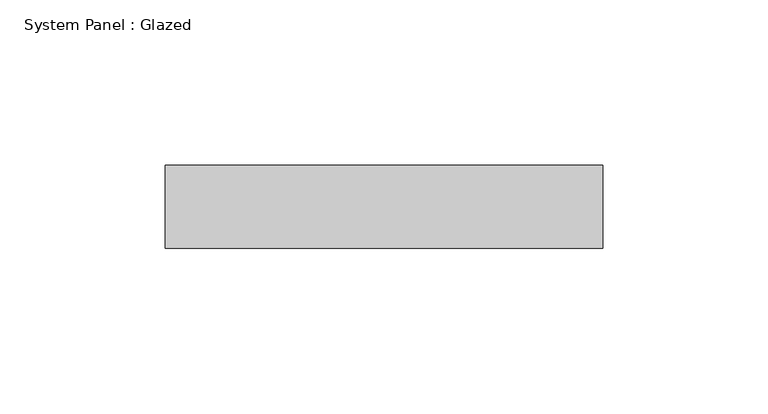
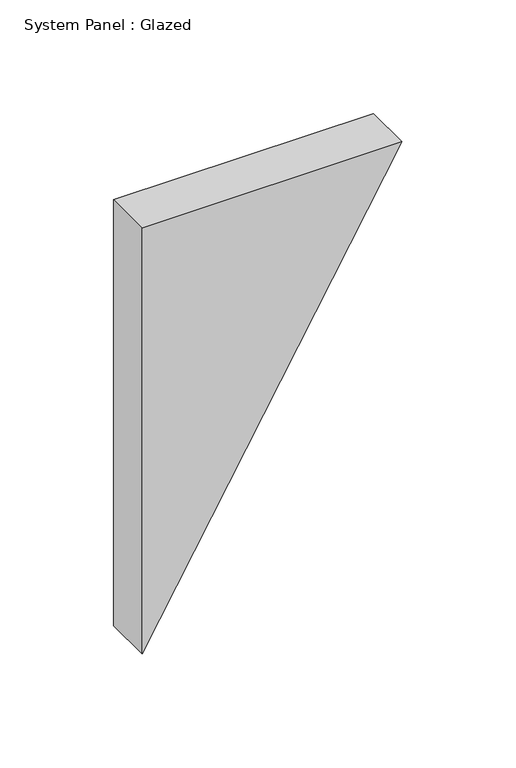
"""IFC4 building model written with IfcOpenShell, lengths in millimetres: plate geometry, System Panel : Glazed."""

from ifc_helpers import new_model, si_unit, frame, origin, place, context, project, spatial, polyline, outline, extrude, source, transform, mapped, element, save


def system_panel_glazed_f898bfd2(model_context):
    return source(origin(), model_context, "Body", "SweptSolid", [
        extrude(outline(polyline([(228.7187074, -66.0254036), (0.0, -66.0254036), (228.7187074, 66.0254036), (228.7187074, -66.0254036)])), frame((0.0, 24.5, 0.0), z_axis=(0.0, 1.0, 0.0), x_axis=(0.0, 0.0, 1.0)), (0.0, 0.0, 1.0), 25.0),
    ])


if __name__ == "__main__":
    model = new_model("IFC4")
    model_context = context("Model", 3, world=origin())
    ifc_project = project(units=[si_unit("LENGTHUNIT", "METRE", prefix="MILLI")], contexts=[model_context])
    site = spatial("IfcSite", under=ifc_project)
    building = spatial("IfcBuilding", under=site)
    placement = place(None, origin())
    system_panel_glazed_shape = system_panel_glazed_f898bfd2(model_context)
    element("IfcPlate", 1, ObjectType="System Panel : Glazed", at=placement, inside=building, context=model_context, shape_type="MappedRepresentation", body=[
        mapped(system_panel_glazed_shape, transform((0.0, 0.0, 0.0), x_axis=(1.0, 0.0, 0.0), y_axis=(0.0, 1.0, 0.0), z_axis=(0.0, 0.0, 1.0))),
    ])
    save(model, "model.ifc")
